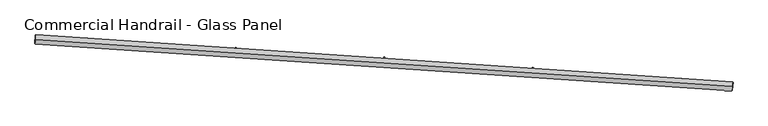
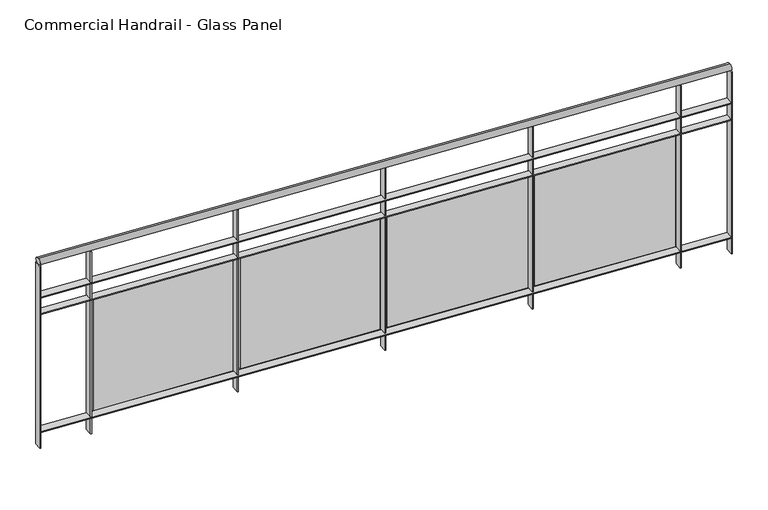
"""IFC4 building model written with IfcOpenShell, lengths in millimetres: railing geometry, Commercial Handrail - Glass Panel."""

from ifc_helpers import new_model, si_unit, point, frame, origin, place, context, project, spatial, polyline, circle_curve, ellipse_curve, trimmed, outline, extrude, source, transform, mapped, element, save
from ifc_brep_helpers import plane_surface, cylinder_surface, revolved_surface, advanced_brep


def commercial_handrail_glass_panel_a077699c(model_context):
    return source(origin(), model_context, "Body", "SolidModel", [
        advanced_brep(
        [(127087.1570921, -8003.1164337, 23082.5), (123343.3137882, -7749.5898626, 23082.5), (123343.3137882, -7749.5898626, 23117.5), (127087.1570921, -8003.1164337, 23117.5)],
        [
            (0, 1, circle_curve(frame((111605.6979329, -208849.2754237, 23082.5), z_axis=(0.0, 0.0, 1.0), x_axis=(0.05826798461119784, 0.9983009776461952, 0.0)), 201441.93992)),
            (1, 2, ellipse_curve(frame((123343.3137882, -7749.5898626, 23100.0), z_axis=(0.9983009776461951, -0.05826798461120429, 0.0), x_axis=(-0.058267984611204277, -0.9983009776461949, 0.0)), 25.0, 17.5)),
            (2, 3, circle_curve(frame((111605.6979329, -208849.2754237, 23117.5), z_axis=(0.0, 0.0, -1.0), x_axis=(0.05826798461119784, 0.9983009776461952, 0.0)), 201441.93992)),
            (3, 0, ellipse_curve(frame((127087.1570921, -8003.1164337, 23100.0), z_axis=(-0.9970424186232612, 0.07685320725823905, 0.0), x_axis=(-0.07685320725823903, -0.9970424186232609, 0.0)), 25.0, 17.5)),
            (2, 1, ellipse_curve(frame((123343.3137882, -7749.5898626, 23100.0), z_axis=(0.9983009776461951, -0.05826798461120429, 0.0), x_axis=(-0.058267984611204277, -0.9983009776461949, 0.0)), 25.0, 17.5)),
            (0, 3, ellipse_curve(frame((127087.1570921, -8003.1164337, 23100.0), z_axis=(-0.9970424186232612, 0.07685320725823905, 0.0), x_axis=(-0.07685320725823903, -0.9970424186232609, 0.0)), 25.0, 17.5)),
        ],
        [
            revolved_surface(trimmed(ellipse_curve(frame((123343.3137882, -7749.5898626, 23100.0), z_axis=(-0.9983009776461952, 0.05826798461119784, 0.0), x_axis=(0.0, 0.0, -1.0)), 17.5, 25.0), [point((123343.3137882, -7749.5898626, 23117.5))], [point((123343.3137882, -7749.5898626, 23082.5))], True, "CARTESIAN"), (111605.6979329, -208849.2754237, 23100.0), (0.0, 0.0, -1.0)),
            revolved_surface(trimmed(ellipse_curve(frame((123343.3137882, -7749.5898626, 23100.0), z_axis=(-0.9983009776461952, 0.05826798461119784, 0.0), x_axis=(0.0, 0.0, -1.0)), 17.5, 25.0), [point((123343.3137882, -7749.5898626, 23082.5))], [point((123343.3137882, -7749.5898626, 23117.5))], True, "CARTESIAN"), (111605.6979329, -208849.2754237, 23100.0), (0.0, 0.0, -1.0)),
            plane_surface(frame((123343.3137882, -7749.5898626, 23100.0), z_axis=(-0.9983009776461953, 0.058267984611197844, 0.0), x_axis=(0.058267984611197844, 0.9983009776461953, 0.0))),
            plane_surface(frame((127087.1570921, -8003.1164337, 23100.0), z_axis=(0.9970424186232612, -0.07685320725823909, 0.0), x_axis=(0.07685320725823909, 0.9970424186232612, 0.0))),
        ],
        [
            (0, [[1, 2, 3, 4]]),
            (1, [[-3, 5, -1, 6]]),
            (2, [[-2, -5]]),
            (3, [[-6, -4]]),
        ],
    ),
        advanced_brep(
        [(127088.8862893, -7980.6829793, 22900.0), (123344.6248179, -7727.1280906, 22900.0), (123342.0027586, -7772.0516346, 22900.0), (127085.4278949, -8025.5498881, 22900.0), (127088.8862893, -7980.6829793, 22894.0), (123344.6248179, -7727.1280906, 22894.0), (127085.4278949, -8025.5498881, 22894.0), (123342.0027586, -7772.0516346, 22894.0)],
        [
            (0, 1, circle_curve(frame((111605.6979329, -208849.2754237, 22900.0), z_axis=(0.0, 0.0, 1.0), x_axis=(0.05826798461119784, 0.9983009776461952, 0.0)), 201464.43992)),
            (1, 2),
            (2, 3, circle_curve(frame((111605.6979329, -208849.2754237, 22900.0), z_axis=(0.0, 0.0, -1.0), x_axis=(0.05826798461119784, 0.9983009776461952, 0.0)), 201419.43992)),
            (3, 0),
            (4, 5, circle_curve(frame((111605.6979329, -208849.2754237, 22894.0), z_axis=(0.0, 0.0, 1.0), x_axis=(0.05826798461119784, 0.9983009776461952, 0.0)), 201464.43992)),
            (5, 1),
            (0, 4),
            (6, 7, circle_curve(frame((111605.6979329, -208849.2754237, 22894.0), z_axis=(0.0, 0.0, 1.0), x_axis=(0.05826798461119784, 0.9983009776461952, 0.0)), 201419.43992)),
            (7, 5),
            (4, 6),
            (2, 7),
            (6, 3),
        ],
        [
            plane_surface(frame((111605.6979329, -208849.2754237, 22900.0), z_axis=(0.0, 0.0, 1.0), x_axis=(0.058267984611197844, 0.9983009776461953, 0.0))),
            cylinder_surface(frame((111605.6979329, -208849.2754237, 22900.0), z_axis=(0.0, 0.0, -1.0), x_axis=(0.05826798461119784, 0.9983009776461952, 0.0)), 201464.43992),
            plane_surface(frame((111605.6979329, -208849.2754237, 22894.0), z_axis=(0.0, 0.0, -1.0), x_axis=(0.058267984611197844, 0.9983009776461953, 0.0))),
            revolved_surface(polyline([(123342.00275855465, -7772.051634614909, 22894.0), (123342.00275855465, -7772.051634614909, 22900.0)]), (111605.6979329, -208849.2754237, 22900.0), (0.0, 0.0, -1.0)),
            plane_surface(frame((123343.3137882, -7749.5898626, 22900.0), z_axis=(-0.9983009776461953, 0.058267984611197844, 0.0), x_axis=(0.058267984611197844, 0.9983009776461953, 0.0))),
            plane_surface(frame((127087.1570921, -8003.1164337, 22900.0), z_axis=(0.9970424186232612, -0.07685320725823909, 0.0), x_axis=(0.07685320725823909, 0.9970424186232612, 0.0))),
        ],
        [
            (0, [[1, 2, 3, 4]]),
            (1, [[5, 6, -1, 7]]),
            (2, [[8, 9, -5, 10]]),
            (3, [[-3, 11, -8, 12]]),
            (4, [[-2, -6, -9, -11]]),
            (5, [[-12, -10, -7, -4]]),
        ],
    ),
        advanced_brep(
        [(127088.8862893, -7980.6829793, 22800.0), (123344.6248179, -7727.1280906, 22800.0), (123342.0027586, -7772.0516346, 22800.0), (127085.4278949, -8025.5498881, 22800.0), (127088.8862893, -7980.6829793, 22794.0), (123344.6248179, -7727.1280906, 22794.0), (127085.4278949, -8025.5498881, 22794.0), (123342.0027586, -7772.0516346, 22794.0)],
        [
            (0, 1, circle_curve(frame((111605.6979329, -208849.2754237, 22800.0), z_axis=(0.0, 0.0, 1.0), x_axis=(0.05826798461119784, 0.9983009776461952, 0.0)), 201464.43992)),
            (1, 2),
            (2, 3, circle_curve(frame((111605.6979329, -208849.2754237, 22800.0), z_axis=(0.0, 0.0, -1.0), x_axis=(0.05826798461119784, 0.9983009776461952, 0.0)), 201419.43992)),
            (3, 0),
            (4, 5, circle_curve(frame((111605.6979329, -208849.2754237, 22794.0), z_axis=(0.0, 0.0, 1.0), x_axis=(0.05826798461119784, 0.9983009776461952, 0.0)), 201464.43992)),
            (5, 1),
            (0, 4),
            (6, 7, circle_curve(frame((111605.6979329, -208849.2754237, 22794.0), z_axis=(0.0, 0.0, 1.0), x_axis=(0.05826798461119784, 0.9983009776461952, 0.0)), 201419.43992)),
            (7, 5),
            (4, 6),
            (2, 7),
            (6, 3),
        ],
        [
            plane_surface(frame((111605.6979329, -208849.2754237, 22800.0), z_axis=(0.0, 0.0, 1.0), x_axis=(0.058267984611197844, 0.9983009776461953, 0.0))),
            cylinder_surface(frame((111605.6979329, -208849.2754237, 22800.0), z_axis=(0.0, 0.0, -1.0), x_axis=(0.05826798461119784, 0.9983009776461952, 0.0)), 201464.43992),
            plane_surface(frame((111605.6979329, -208849.2754237, 22794.0), z_axis=(0.0, 0.0, -1.0), x_axis=(0.058267984611197844, 0.9983009776461953, 0.0))),
            revolved_surface(polyline([(123342.00275855465, -7772.051634614909, 22794.0), (123342.00275855465, -7772.051634614909, 22800.0)]), (111605.6979329, -208849.2754237, 22800.0), (0.0, 0.0, -1.0)),
            plane_surface(frame((123343.3137882, -7749.5898626, 22800.0), z_axis=(-0.9983009776461953, 0.058267984611197844, 0.0), x_axis=(0.058267984611197844, 0.9983009776461953, 0.0))),
            plane_surface(frame((127087.1570921, -8003.1164337, 22800.0), z_axis=(0.9970424186232612, -0.07685320725823909, 0.0), x_axis=(0.07685320725823909, 0.9970424186232612, 0.0))),
        ],
        [
            (0, [[1, 2, 3, 4]]),
            (1, [[5, 6, -1, 7]]),
            (2, [[8, 9, -5, 10]]),
            (3, [[-3, 11, -8, 12]]),
            (4, [[-2, -6, -9, -11]]),
            (5, [[-12, -10, -7, -4]]),
        ],
    ),
        advanced_brep(
        [(127088.8862893, -7980.6829793, 22100.0), (123344.6248179, -7727.1280906, 22100.0), (123342.0027586, -7772.0516346, 22100.0), (127085.4278949, -8025.5498881, 22100.0), (127088.8862893, -7980.6829793, 22094.0), (123344.6248179, -7727.1280906, 22094.0), (127085.4278949, -8025.5498881, 22094.0), (123342.0027586, -7772.0516346, 22094.0)],
        [
            (0, 1, circle_curve(frame((111605.6979329, -208849.2754237, 22100.0), z_axis=(0.0, 0.0, 1.0), x_axis=(0.05826798461119784, 0.9983009776461952, 0.0)), 201464.43992)),
            (1, 2),
            (2, 3, circle_curve(frame((111605.6979329, -208849.2754237, 22100.0), z_axis=(0.0, 0.0, -1.0), x_axis=(0.05826798461119784, 0.9983009776461952, 0.0)), 201419.43992)),
            (3, 0),
            (4, 5, circle_curve(frame((111605.6979329, -208849.2754237, 22094.0), z_axis=(0.0, 0.0, 1.0), x_axis=(0.05826798461119784, 0.9983009776461952, 0.0)), 201464.43992)),
            (5, 1),
            (0, 4),
            (6, 7, circle_curve(frame((111605.6979329, -208849.2754237, 22094.0), z_axis=(0.0, 0.0, 1.0), x_axis=(0.05826798461119784, 0.9983009776461952, 0.0)), 201419.43992)),
            (7, 5),
            (4, 6),
            (2, 7),
            (6, 3),
        ],
        [
            plane_surface(frame((111605.6979329, -208849.2754237, 22100.0), z_axis=(0.0, 0.0, 1.0), x_axis=(0.058267984611197844, 0.9983009776461953, 0.0))),
            cylinder_surface(frame((111605.6979329, -208849.2754237, 22100.0), z_axis=(0.0, 0.0, -1.0), x_axis=(0.05826798461119784, 0.9983009776461952, 0.0)), 201464.43992),
            plane_surface(frame((111605.6979329, -208849.2754237, 22094.0), z_axis=(0.0, 0.0, -1.0), x_axis=(0.058267984611197844, 0.9983009776461953, 0.0))),
            revolved_surface(polyline([(123342.00275855465, -7772.051634614909, 22094.0), (123342.00275855465, -7772.051634614909, 22100.0)]), (111605.6979329, -208849.2754237, 22100.0), (0.0, 0.0, -1.0)),
            plane_surface(frame((123343.3137882, -7749.5898626, 22100.0), z_axis=(-0.9983009776461953, 0.058267984611197844, 0.0), x_axis=(0.058267984611197844, 0.9983009776461953, 0.0))),
            plane_surface(frame((127087.1570921, -8003.1164337, 22100.0), z_axis=(0.9970424186232612, -0.07685320725823909, 0.0), x_axis=(0.07685320725823909, 0.9970424186232612, 0.0))),
        ],
        [
            (0, [[1, 2, 3, 4]]),
            (1, [[5, 6, -1, 7]]),
            (2, [[8, 9, -5, 10]]),
            (3, [[-3, 11, -8, 12]]),
            (4, [[-2, -6, -9, -11]]),
            (5, [[-12, -10, -7, -4]]),
        ],
    ),
        extrude(outline(polyline([(126807.0337746, -8004.2850074), (126810.43064, -7959.4133983), (126816.4135212, -7959.8663137), (126813.0166558, -8004.7379228), (126807.0337746, -8004.2850074)])), frame((0.0, 0.0, 22000.0), z_axis=(0.0, 0.0, 1.0), x_axis=(1.0, 0.0, 0.0)), (0.0, 0.0, 1.0), 1082.1192282),
        extrude(outline(polyline([(126034.3041964, -7918.3613778), (126792.2482403, -7974.2257342), (126791.3661716, -7986.1932717), (126033.4221277, -7930.3289154), (126034.3041964, -7918.3613778)])), frame((0.0, 0.0, 22120.0), z_axis=(0.0, 0.0, 1.0), x_axis=(1.0, 0.0, 0.0)), (0.0, 0.0, 1.0), 660.0),
        extrude(outline(polyline([(126009.2867014, -7945.4989105), (126012.5053388, -7900.614165), (126018.4899716, -7901.0433167), (126015.2713341, -7945.9280621), (126009.2867014, -7945.4989105)])), frame((0.0, 0.0, 22000.0), z_axis=(0.0, 0.0, 1.0), x_axis=(1.0, 0.0, 0.0)), (0.0, 0.0, 1.0), 1082.1192282),
        extrude(outline(polyline([(125236.2219835, -7862.6447436), (125994.3819077, -7915.4985929), (125993.5473732, -7927.4695391), (125235.387449, -7874.6156898), (125236.2219835, -7862.6447436)])), frame((0.0, 0.0, 22120.0), z_axis=(0.0, 0.0, 1.0), x_axis=(1.0, 0.0, 0.0)), (0.0, 0.0, 1.0), 660.0),
        extrude(outline(polyline([(125211.3124586, -7889.8814157), (125214.3528173, -7844.9842418), (125220.3391071, -7845.389623), (125217.2987484, -7890.2867968), (125211.3124586, -7889.8814157)])), frame((0.0, 0.0, 22000.0), z_axis=(0.0, 0.0, 1.0), x_axis=(1.0, 0.0, 0.0)), (0.0, 0.0, 1.0), 1082.1192282),
        extrude(outline(polyline([(124437.9247935, -7810.0980184), (125196.2886404, -7859.940527), (125195.5016534, -7871.914693), (124437.1378065, -7822.0721844), (124437.9247935, -7810.0980184)])), frame((0.0, 0.0, 22120.0), z_axis=(0.0, 0.0, 1.0), x_axis=(1.0, 0.0, 0.0)), (0.0, 0.0, 1.0), 660.0),
        extrude(outline(polyline([(124413.1236316, -7837.4334002), (124415.9856636, -7792.5245061), (124421.9735161, -7792.9061104), (124419.1114841, -7837.8150045), (124413.1236316, -7837.4334002)])), frame((0.0, 0.0, 22000.0), z_axis=(0.0, 0.0, 1.0), x_axis=(1.0, 0.0, 0.0)), (0.0, 0.0, 1.0), 1082.1192282),
        extrude(outline(polyline([(123639.4252169, -7760.7220307), (124397.9810259, -7807.5524126), (124397.2415988, -7819.5296096), (123638.6857898, -7772.6992277), (123639.4252169, -7760.7220307)])), frame((0.0, 0.0, 22120.0), z_axis=(0.0, 0.0, 1.0), x_axis=(1.0, 0.0, 0.0)), (0.0, 0.0, 1.0), 660.0),
        extrude(outline(polyline([(123614.7328091, -7788.1556913), (123617.4164693, -7743.2357852), (123623.4057901, -7743.5936065), (123620.72213, -7788.5135127), (123614.7328091, -7788.1556913)])), frame((0.0, 0.0, 22000.0), z_axis=(0.0, 0.0, 1.0), x_axis=(1.0, 0.0, 0.0)), (0.0, 0.0, 1.0), 1082.1192282),
        extrude(outline(polyline([(127082.4367677, -8025.3193285), (127085.895162, -7980.4524197), (127091.8774165, -7980.9135389), (127088.4190222, -8025.7804477), (127082.4367677, -8025.3193285)])), frame((0.0, 0.0, 22000.0), z_axis=(0.0, 0.0, 1.0), x_axis=(1.0, 0.0, 0.0)), (0.0, 0.0, 1.0), 1082.1192282),
        extrude(outline(polyline([(123339.0078557, -7771.8768307), (123341.629915, -7726.9532867), (123347.6197208, -7727.3028946), (123344.9976615, -7772.2264386), (123339.0078557, -7771.8768307)])), frame((0.0, 0.0, 22000.0), z_axis=(0.0, 0.0, 1.0), x_axis=(1.0, 0.0, 0.0)), (0.0, 0.0, 1.0), 1082.1192282),
    ])


if __name__ == "__main__":
    model = new_model("IFC4")
    model_context = context("Model", 3, world=origin())
    ifc_project = project(units=[si_unit("LENGTHUNIT", "METRE", prefix="MILLI")], contexts=[model_context])
    site = spatial("IfcSite", under=ifc_project)
    building = spatial("IfcBuilding", under=site)
    placement = place(None, origin())
    commercial_handrail_glass_panel_shape = commercial_handrail_glass_panel_a077699c(model_context)
    element("IfcRailing", 1, ObjectType="Commercial Handrail - Glass Panel", at=placement, inside=building, context=model_context, shape_type="MappedRepresentation", body=[
        mapped(commercial_handrail_glass_panel_shape, transform((0.0, 0.0, 0.0), x_axis=(1.0, 0.0, 0.0), y_axis=(0.0, 1.0, 0.0), z_axis=(0.0, 0.0, 1.0))),
    ])
    save(model, "model.ifc")
